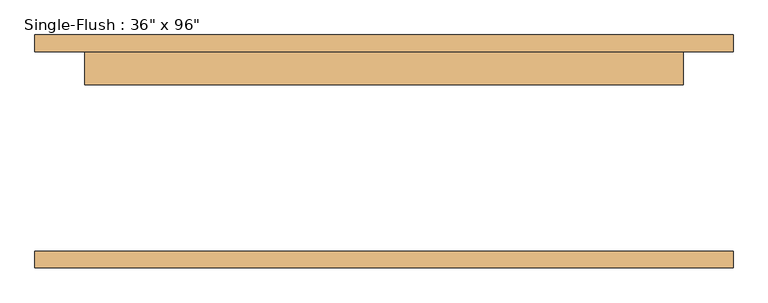
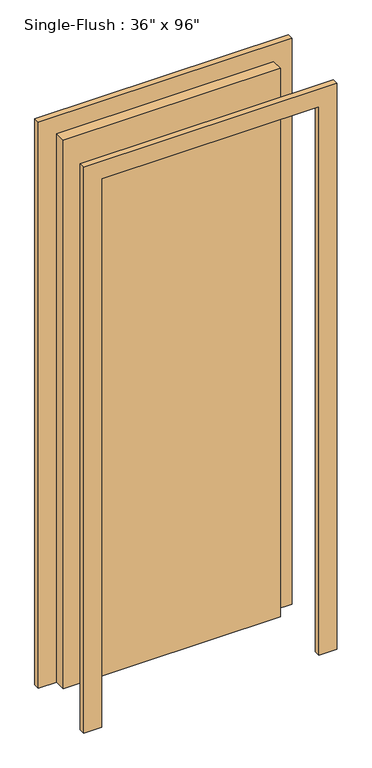
"""IFC4 building model written with IfcOpenShell, lengths in millimetres: door geometry."""

from ifc_helpers import new_model, si_unit, frame, origin, origin_with_axes, place, context, project, spatial, polyline, outline, extrude, source, transform, mapped, element, save


def door_43aeee98(model_context):
    return source(origin(), model_context, "Body", "SweptSolid", [
        extrude(outline(polyline([(2514.6, -533.4), (0.0, -533.4), (0.0, -457.2), (2438.4, -457.2), (2438.4, 457.2), (0.0, 457.2), (0.0, 533.4), (2514.6, 533.4), (2514.6, -533.4)])), frame((0.0, 152.4, 0.0), z_axis=(0.0, 1.0, 0.0), x_axis=(0.0, 0.0, 1.0)), (0.0, 0.0, 1.0), 25.4),
        extrude(outline(polyline([(2514.6, 533.4), (2514.6, -533.4), (0.0, -533.4), (0.0, -457.2), (2438.4, -457.2), (2438.4, 457.2), (0.0, 457.2), (0.0, 533.4), (2514.6, 533.4)])), frame((0.0, -177.8, 0.0), z_axis=(0.0, 1.0, 0.0), x_axis=(0.0, 0.0, 1.0)), (0.0, 0.0, 1.0), 25.4),
        extrude(outline(polyline([(457.2, 101.6), (-457.2, 101.6), (-457.2, 152.4), (457.2, 152.4), (457.2, 101.6)])), origin_with_axes(), (0.0, 0.0, 1.0), 2438.4),
    ])


if __name__ == "__main__":
    model = new_model("IFC4")
    model_context = context("Model", 3, world=origin())
    ifc_project = project(units=[si_unit("LENGTHUNIT", "METRE", prefix="MILLI")], contexts=[model_context])
    site = spatial("IfcSite", under=ifc_project)
    building = spatial("IfcBuilding", under=site)
    placement = place(None, origin())
    door_shape = door_43aeee98(model_context)
    element("IfcDoor", 1, ObjectType="Single-Flush : 36\" x 96\"", at=placement, inside=building, context=model_context, shape_type="MappedRepresentation", body=[
        mapped(door_shape, transform((0.0, 0.0, 0.0), x_axis=(1.0, 0.0, 0.0), y_axis=(0.0, 1.0, 0.0), z_axis=(0.0, 0.0, 1.0))),
    ])
    save(model, "model.ifc")
